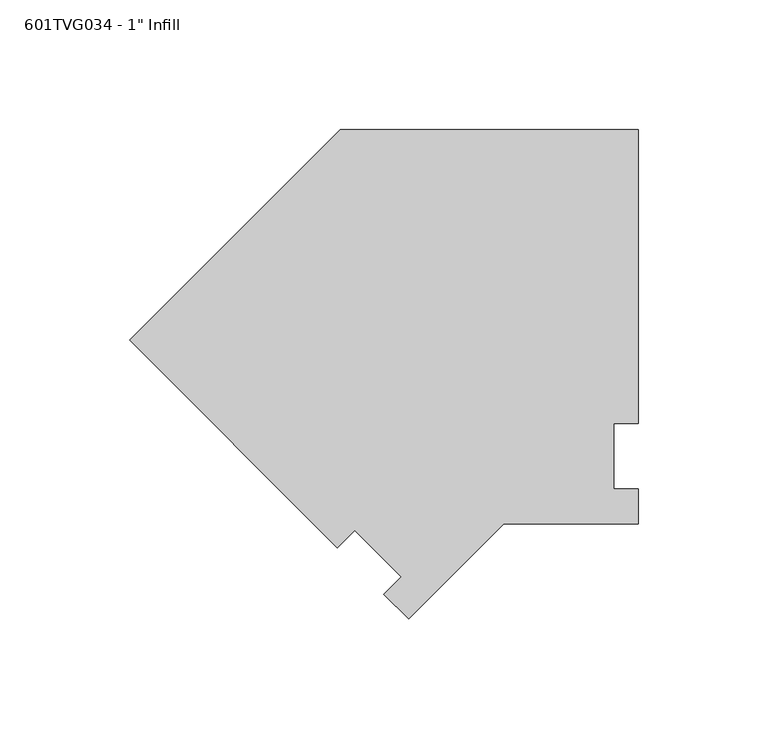
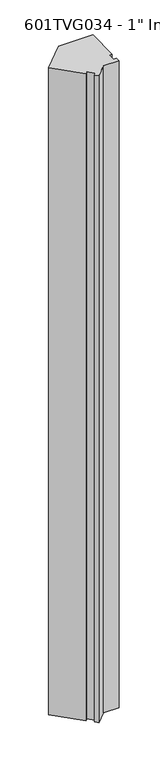
"""IFC4 building model written with IfcOpenShell, lengths in millimetres: proxy geometry."""

from ifc_helpers import new_model, si_unit, frame, origin, place, context, project, spatial, polyline, outline, extrude, source, transform, mapped, element, save


def proxy_73085c73(model_context):
    return source(origin(), model_context, "Body", "SweptSolid", [
        extrude(outline(polyline([(-133.6599115, 44.8226789), (-52.2763404, 126.20625), (62.8174096, 126.20625), (62.8174096, 12.7), (53.2924096, 12.7), (53.2924096, -12.7), (62.8174096, -12.7), (62.8174096, -26.19375), (10.8498065, -26.19375), (-25.8968381, -62.9403946), (-35.4383602, -53.3988724), (-28.7031681, -46.6636803), (-46.6636803, -28.7031681), (-53.3988724, -35.4383602), (-133.6599115, 44.8226789)])), frame((0.0, 0.0, 50.8), z_axis=(0.0, 0.0, 1.0), x_axis=(1.0, 0.0, 0.0)), (0.0, 0.0, 1.0), 2311.4),
    ])


if __name__ == "__main__":
    model = new_model("IFC4")
    model_context = context("Model", 3, world=origin())
    ifc_project = project(units=[si_unit("LENGTHUNIT", "METRE", prefix="MILLI")], contexts=[model_context])
    site = spatial("IfcSite", under=ifc_project)
    building = spatial("IfcBuilding", under=site)
    placement = place(None, origin())
    proxy_shape = proxy_73085c73(model_context)
    element("IfcBuildingElementProxy", 1, Name="601TVG034 - 1\" Infill", ObjectType="601TVG034 - 1\" Infill", at=placement, inside=building, context=model_context, shape_type="MappedRepresentation", body=[
        mapped(proxy_shape, transform((0.0, 0.0, 0.0), x_axis=(1.0, 0.0, 0.0), y_axis=(0.0, 1.0, 0.0), z_axis=(0.0, 0.0, 1.0))),
    ])
    save(model, "model.ifc")
